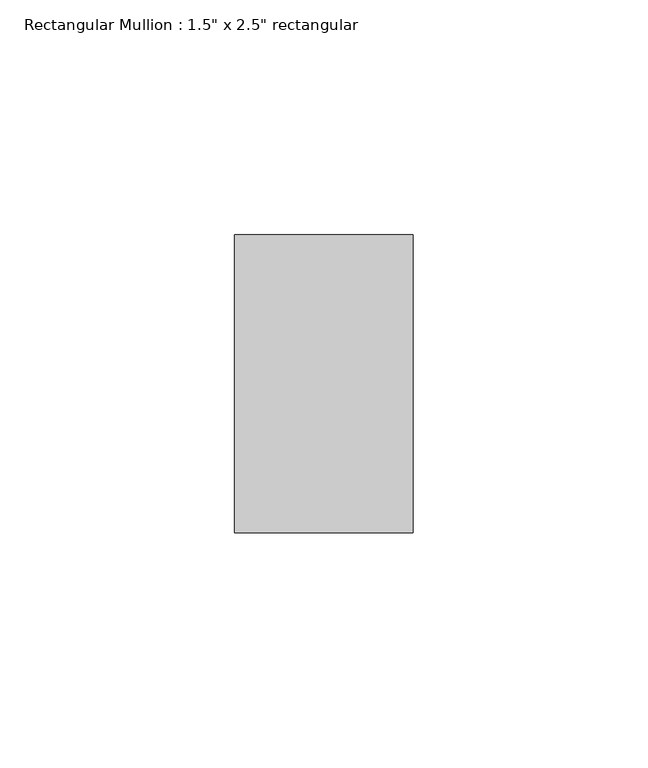
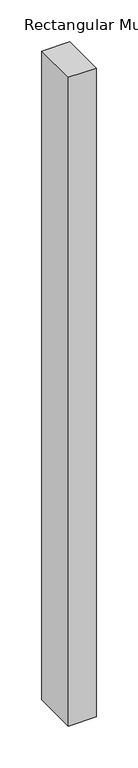
"""IFC4 building model written with IfcOpenShell, lengths in millimetres: member geometry."""

import ifcopenshell
import ifcopenshell.guid

model = None  # the IFC model being written
_history = None  # IfcOwnerHistory: only IFC2X3 demands one
_inside = {}  # id of a spatial element -> (the spatial element, [elements in it])
_under = {}  # id of a project, library or spatial element -> (it, [spatial elements below it])
_declared = {}  # id of a project -> (the project, [libraries it declares])
_typed = {}  # id of a type object -> (the type object, [elements of that type])
_made_of = {}  # id of a material, layer set ... -> (it, [elements and type objects made of it])


def new_model(schema):
    """Start an empty IFC model of exactly this schema.

    Asked for "IFC4X3", IfcOpenShell would pick the latest addendum, in which some entities
    have other attributes; the version numbers below select the first issue.
    IFC2X3 requires an IfcOwnerHistory on every rooted entity: one is made here for all.
    """
    global model, _history
    if schema == "IFC4X3":
        model = ifcopenshell.file(schema_version=(4, 3, 0, 0))
    else:
        model = ifcopenshell.file(schema=schema)
    _inside.clear()
    _under.clear()
    _declared.clear()
    _typed.clear()
    _made_of.clear()
    _history = None
    if model.schema == "IFC2X3":
        org = make("IfcOrganization", Name="unknown")
        user = make(
            "IfcPersonAndOrganization",
            ThePerson=make("IfcPerson", FamilyName="unknown"),
            TheOrganization=org,
        )
        app = make(
            "IfcApplication",
            ApplicationDeveloper=org,
            Version="unknown",
            ApplicationFullName="unknown",
            ApplicationIdentifier="unknown",
        )
        _history = make(
            "IfcOwnerHistory",
            OwningUser=user,
            OwningApplication=app,
            ChangeAction="ADDED",
            CreationDate=0,
        )
    return model


def make(cls, **values):
    """One entity of the class cls with the attributes given. An attribute that is None is left unset."""
    return model.create_entity(
        cls, **{name: value for name, value in values.items() if value is not None}
    )


def rooted(cls, **values):
    """An entity with a GlobalId (a new one), such as an element, a storey or a relation."""
    return make(cls, GlobalId=ifcopenshell.guid.new(), OwnerHistory=_history, **values)


def si_unit(unit_type, name, prefix=None):
    """IfcSIUnit, for example si_unit("LENGTHUNIT", "METRE", prefix="MILLI")."""
    return make("IfcSIUnit", UnitType=unit_type, Prefix=prefix, Name=name)


def assignment(units):
    """IfcUnitAssignment: the units of a project."""
    return None if units is None else make("IfcUnitAssignment", Units=units)


def point(xyz):
    """IfcCartesianPoint."""
    return None if xyz is None else make("IfcCartesianPoint", Coordinates=xyz)


def direction(xyz):
    """IfcDirection."""
    return None if xyz is None else make("IfcDirection", DirectionRatios=xyz)


def frame(location, z_axis=None, x_axis=None):
    """IfcAxis2Placement3D, a coordinate frame: its origin and axes. An axis left out is left unset."""
    return make(
        "IfcAxis2Placement3D",
        Location=point(location),
        Axis=direction(z_axis),
        RefDirection=direction(x_axis),
    )


def origin():
    """The frame at (0, 0, 0) with its axes left unset."""
    return frame((0.0, 0.0, 0.0))


def place(relative_to, where):
    """IfcLocalPlacement: puts the frame where relative to a parent placement (None: the world)."""
    return make(
        "IfcLocalPlacement", PlacementRelTo=relative_to, RelativePlacement=where
    )


def context(
    kind, dimensions, precision=None, world=None, true_north=None, identifier=None
):
    """IfcGeometricRepresentationContext, for example the 3D "Model" context."""
    return make(
        "IfcGeometricRepresentationContext",
        ContextIdentifier=identifier,
        ContextType=kind,
        CoordinateSpaceDimension=dimensions,
        Precision=precision,
        WorldCoordinateSystem=world,
        TrueNorth=true_north,
    )


def project(units=None, contexts=None):
    """IfcProject with its units and contexts."""
    return rooted(
        "IfcProject",
        Name="project",
        RepresentationContexts=contexts,
        UnitsInContext=assignment(units),
    )


def spatial(cls, under=None, at=None, **own):
    """A site, building, storey or space (cls), placed at a placement, below another one or the project."""
    s = rooted(cls, ObjectPlacement=at, **own)
    if under is not None:
        _under.setdefault(under.id(), (under, []))[1].append(s)
    return s


def polyline(points):
    """IfcPolyline through the points."""
    return make("IfcPolyline", Points=[point(p) for p in points])


def outline(outer, holes=None, kind="AREA"):
    """IfcArbitraryClosedProfileDef: a profile drawn as a closed curve; with holes, ...WithVoids."""
    if holes is None:
        return make("IfcArbitraryClosedProfileDef", ProfileType=kind, OuterCurve=outer)
    return make(
        "IfcArbitraryProfileDefWithVoids",
        ProfileType=kind,
        OuterCurve=outer,
        InnerCurves=holes,
    )


def extrude(swept, where, along, depth):
    """IfcExtrudedAreaSolid: the profile swept, set in the frame where, extruded along a direction by depth."""
    return make(
        "IfcExtrudedAreaSolid",
        SweptArea=swept,
        Position=where,
        ExtrudedDirection=direction(along),
        Depth=depth,
    )


def shape(context_of_items, identifier, shape_type, items):
    """IfcShapeRepresentation: the items that make up one representation, for example the "Body"."""
    return make(
        "IfcShapeRepresentation",
        ContextOfItems=context_of_items,
        RepresentationIdentifier=identifier,
        RepresentationType=shape_type,
        Items=items,
    )


def source(mapping_origin, context_of_items, identifier, shape_type, items):
    """IfcRepresentationMap: a shape defined once, which mapped items show again and again."""
    return make(
        "IfcRepresentationMap",
        MappingOrigin=mapping_origin,
        MappedRepresentation=shape(context_of_items, identifier, shape_type, items),
    )


def transform(
    local_origin,
    x_axis=None,
    y_axis=None,
    z_axis=None,
    scale=None,
    scale2=None,
    scale3=None,
    uniform=True,
):
    """IfcCartesianTransformationOperator3D, or its non-uniform kind. x_axis, y_axis, z_axis: its Axis1, 2, 3."""
    if uniform:
        return make(
            "IfcCartesianTransformationOperator3D",
            Axis1=direction(x_axis),
            Axis2=direction(y_axis),
            LocalOrigin=point(local_origin),
            Scale=scale,
            Axis3=direction(z_axis),
        )
    return make(
        "IfcCartesianTransformationOperator3DnonUniform",
        Axis1=direction(x_axis),
        Axis2=direction(y_axis),
        LocalOrigin=point(local_origin),
        Scale=scale,
        Axis3=direction(z_axis),
        Scale2=scale2,
        Scale3=scale3,
    )


def mapped(mapping_source, mapping_target):
    """IfcMappedItem: shows the shape of a source again, moved by a transform."""
    return make(
        "IfcMappedItem", MappingSource=mapping_source, MappingTarget=mapping_target
    )


def made_of(thing, what):
    """Note that an element or type object is made of a material, layer set ...; save() writes the relation."""
    if what is not None:
        _made_of.setdefault(what.id(), (what, []))[1].append(thing)
    return thing


def element(
    cls,
    number,
    at=None,
    inside=None,
    cuts=None,
    type_object=None,
    material=None,
    context=None,
    identifier="Body",
    shape_type=None,
    held_by="IfcProductDefinitionShape",
    body=None,
    shapes=None,
    **own,
):
    """One element of the class cls, such as IfcWall. Its Tag is "e" and its number.

    at: its placement. inside: the storey or other place that contains it. cuts: it is an
    opening in that element (IfcRelVoidsElement). A single representation is given by context,
    identifier, shape_type and body (its items); several are given by shapes. held_by: the class
    of the entity that holds the representations. save() writes the other relations.
    """
    e = rooted(cls, Tag="e%d" % number, ObjectPlacement=at, **own)
    if body is not None:
        shapes = [shape(context, identifier, shape_type, body)]
    if shapes is not None:
        e.Representation = make(held_by, Representations=shapes)
    if inside is not None:
        _inside.setdefault(inside.id(), (inside, []))[1].append(e)
    if cuts is not None:
        rooted(
            "IfcRelVoidsElement", RelatingBuildingElement=cuts, RelatedOpeningElement=e
        )
    if type_object is not None:
        _typed.setdefault(type_object.id(), (type_object, []))[1].append(e)
    return made_of(e, material)


def aggregate(whole, parts):
    """IfcRelAggregates: a whole, such as a stair, and the parts it consists of."""
    return rooted("IfcRelAggregates", RelatingObject=whole, RelatedObjects=parts)


def save(model, path):
    """Write the relations noted so far, then the file.

    IfcRelAggregates (storeys below a building ...), IfcRelContainedInSpatialStructure (elements
    in a storey), IfcRelDefinesByType, IfcRelAssociatesMaterial and IfcRelDeclares: one each for
    every whole, place, type object, material and project.
    """
    for whole, parts in _under.values():
        aggregate(whole, parts)
    for where, things in _inside.values():
        rooted(
            "IfcRelContainedInSpatialStructure",
            RelatedElements=things,
            RelatingStructure=where,
        )
    for kind, things in _typed.values():
        rooted("IfcRelDefinesByType", RelatedObjects=things, RelatingType=kind)
    for what, things in _made_of.values():
        rooted("IfcRelAssociatesMaterial", RelatedObjects=things, RelatingMaterial=what)
    for by, libraries in _declared.values():
        rooted("IfcRelDeclares", RelatingContext=by, RelatedDefinitions=libraries)
    model.write(path)


def member_76835a88(model_context):
    return source(origin(), model_context, "Body", "SweptSolid", [
        extrude(outline(polyline([(19.05, 82.55), (19.05, 19.05), (-19.05, 19.05), (-19.05, 82.55), (19.05, 82.55)])), frame((0.0, 0.0, -945.515), z_axis=(0.0, 0.0, 1.0), x_axis=(1.0, 0.0, 0.0)), (0.0, 0.0, 1.0), 945.515),
    ])


if __name__ == "__main__":
    model = new_model("IFC4")
    model_context = context("Model", 3, world=origin())
    ifc_project = project(units=[si_unit("LENGTHUNIT", "METRE", prefix="MILLI")], contexts=[model_context])
    site = spatial("IfcSite", under=ifc_project)
    building = spatial("IfcBuilding", under=site)
    placement = place(None, origin())
    member_shape = member_76835a88(model_context)
    element("IfcMember", 1, ObjectType="Rectangular Mullion : 1.5\" x 2.5\" rectangular", at=placement, inside=building, context=model_context, shape_type="MappedRepresentation", body=[
        mapped(member_shape, transform((0.0, 0.0, 0.0), x_axis=(1.0, 0.0, 0.0), y_axis=(0.0, 1.0, 0.0), z_axis=(0.0, 0.0, 1.0))),
    ])
    save(model, "model.ifc")
